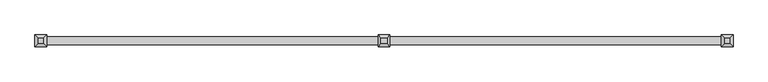
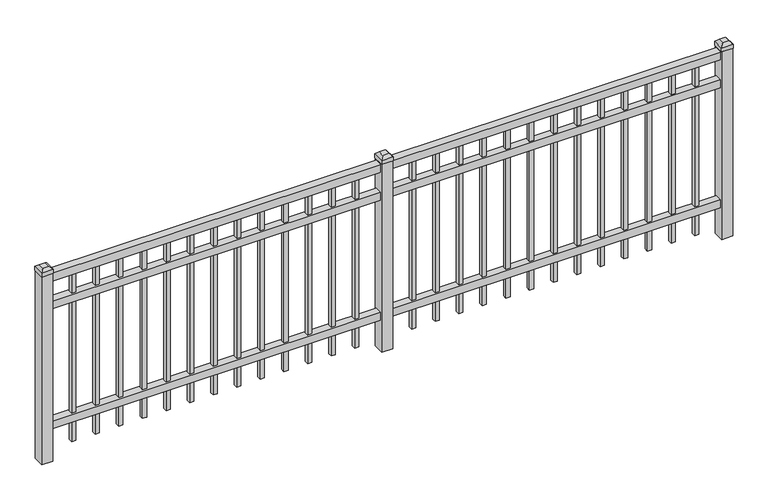
"""IFC4 building model written with IfcOpenShell, lengths in millimetres: railing geometry."""

from ifc_helpers import new_model, si_unit, frame, origin, origin_with_axes, place, context, project, spatial, polyline, outline, extrude, faceted_brep, source, transform, mapped, element, save


def railing_bf762a0c(model_context):
    return source(origin(), model_context, "Body", "SolidModel", [
        extrude(outline(polyline([(-91799.918087, -652.7195174), (-91799.918087, -617.7945174), (-88650.318087, -617.7945174), (-88650.318087, -652.7195174), (-91799.918087, -652.7195174)])), frame((0.0, 0.0, 876.3), z_axis=(0.0, 0.0, 1.0), x_axis=(1.0, 0.0, 0.0)), (0.0, 0.0, 1.0), 38.1),
        extrude(outline(polyline([(-91799.918087, -652.7195174), (-91799.918087, -617.7945174), (-88650.318087, -617.7945174), (-88650.318087, -652.7195174), (-91799.918087, -652.7195174)])), frame((0.0, 0.0, 739.775), z_axis=(0.0, 0.0, 1.0), x_axis=(1.0, 0.0, 0.0)), (0.0, 0.0, 1.0), 38.1),
        extrude(outline(polyline([(-91799.918087, -652.7195174), (-91799.918087, -617.7945174), (-88650.318087, -617.7945174), (-88650.318087, -652.7195174), (-91799.918087, -652.7195174)])), frame((0.0, 0.0, 152.4), z_axis=(0.0, 0.0, 1.0), x_axis=(1.0, 0.0, 0.0)), (0.0, 0.0, 1.0), 38.1),
        extrude(outline(polyline([(-88881.8285036, -625.7320174), (-88881.8285036, -644.7820174), (-88900.8785036, -644.7820174), (-88900.8785036, -625.7320174), (-88881.8285036, -625.7320174)])), frame((0.0, 0.0, 50.8), z_axis=(0.0, 0.0, 1.0), x_axis=(1.0, 0.0, 0.0)), (0.0, 0.0, 1.0), 825.5),
        extrude(outline(polyline([(-88991.1014203, -625.7320174), (-88991.1014203, -644.7820174), (-89010.1514203, -644.7820174), (-89010.1514203, -625.7320174), (-88991.1014203, -625.7320174)])), frame((0.0, 0.0, 50.8), z_axis=(0.0, 0.0, 1.0), x_axis=(1.0, 0.0, 0.0)), (0.0, 0.0, 1.0), 825.5),
        extrude(outline(polyline([(-89100.374337, -625.7320174), (-89100.374337, -644.7820174), (-89119.424337, -644.7820174), (-89119.424337, -625.7320174), (-89100.374337, -625.7320174)])), frame((0.0, 0.0, 50.8), z_axis=(0.0, 0.0, 1.0), x_axis=(1.0, 0.0, 0.0)), (0.0, 0.0, 1.0), 825.5),
        extrude(outline(polyline([(-89209.6472536, -625.7320174), (-89209.6472536, -644.7820174), (-89228.6972536, -644.7820174), (-89228.6972536, -625.7320174), (-89209.6472536, -625.7320174)])), frame((0.0, 0.0, 50.8), z_axis=(0.0, 0.0, 1.0), x_axis=(1.0, 0.0, 0.0)), (0.0, 0.0, 1.0), 825.5),
        extrude(outline(polyline([(-89318.9201703, -625.7320174), (-89318.9201703, -644.7820174), (-89337.9701703, -644.7820174), (-89337.9701703, -625.7320174), (-89318.9201703, -625.7320174)])), frame((0.0, 0.0, 50.8), z_axis=(0.0, 0.0, 1.0), x_axis=(1.0, 0.0, 0.0)), (0.0, 0.0, 1.0), 825.5),
        extrude(outline(polyline([(-89428.193087, -625.7320174), (-89428.193087, -644.7820174), (-89447.243087, -644.7820174), (-89447.243087, -625.7320174), (-89428.193087, -625.7320174)])), frame((0.0, 0.0, 50.8), z_axis=(0.0, 0.0, 1.0), x_axis=(1.0, 0.0, 0.0)), (0.0, 0.0, 1.0), 825.5),
        extrude(outline(polyline([(-89537.4660036, -625.7320174), (-89537.4660036, -644.7820174), (-89556.5160036, -644.7820174), (-89556.5160036, -625.7320174), (-89537.4660036, -625.7320174)])), frame((0.0, 0.0, 50.8), z_axis=(0.0, 0.0, 1.0), x_axis=(1.0, 0.0, 0.0)), (0.0, 0.0, 1.0), 825.5),
        extrude(outline(polyline([(-89646.7389203, -625.7320174), (-89646.7389203, -644.7820174), (-89665.7889203, -644.7820174), (-89665.7889203, -625.7320174), (-89646.7389203, -625.7320174)])), frame((0.0, 0.0, 50.8), z_axis=(0.0, 0.0, 1.0), x_axis=(1.0, 0.0, 0.0)), (0.0, 0.0, 1.0), 825.5),
        extrude(outline(polyline([(-89756.011837, -625.7320174), (-89756.011837, -644.7820174), (-89775.061837, -644.7820174), (-89775.061837, -625.7320174), (-89756.011837, -625.7320174)])), frame((0.0, 0.0, 50.8), z_axis=(0.0, 0.0, 1.0), x_axis=(1.0, 0.0, 0.0)), (0.0, 0.0, 1.0), 825.5),
        extrude(outline(polyline([(-89865.2847536, -625.7320174), (-89865.2847536, -644.7820174), (-89884.3347536, -644.7820174), (-89884.3347536, -625.7320174), (-89865.2847536, -625.7320174)])), frame((0.0, 0.0, 50.8), z_axis=(0.0, 0.0, 1.0), x_axis=(1.0, 0.0, 0.0)), (0.0, 0.0, 1.0), 825.5),
        extrude(outline(polyline([(-89974.5576703, -625.7320174), (-89974.5576703, -644.7820174), (-89993.6076703, -644.7820174), (-89993.6076703, -625.7320174), (-89974.5576703, -625.7320174)])), frame((0.0, 0.0, 50.8), z_axis=(0.0, 0.0, 1.0), x_axis=(1.0, 0.0, 0.0)), (0.0, 0.0, 1.0), 825.5),
        extrude(outline(polyline([(-88772.555587, -625.7320174), (-88772.555587, -644.7820174), (-88791.605587, -644.7820174), (-88791.605587, -625.7320174), (-88772.555587, -625.7320174)])), frame((0.0, 0.0, 50.8), z_axis=(0.0, 0.0, 1.0), x_axis=(1.0, 0.0, 0.0)), (0.0, 0.0, 1.0), 825.5),
        extrude(outline(polyline([(-90083.830587, -625.7320174), (-90083.830587, -644.7820174), (-90102.880587, -644.7820174), (-90102.880587, -625.7320174), (-90083.830587, -625.7320174)])), frame((0.0, 0.0, 50.8), z_axis=(0.0, 0.0, 1.0), x_axis=(1.0, 0.0, 0.0)), (0.0, 0.0, 1.0), 825.5),
        faceted_brep([(-90252.105587, -608.2695174, 939.8), (-90252.105587, -608.2695174, 920.75), (-90252.105587, -662.2445174, 920.75), (-90252.105587, -662.2445174, 939.8), (-90239.405587, -620.9695174, 952.5), (-90239.405587, -649.5445174, 952.5), (-90198.130587, -662.2445174, 920.75), (-90198.130587, -662.2445174, 939.8), (-90210.830587, -649.5445174, 952.5), (-90198.130587, -608.2695174, 920.75), (-90198.130587, -608.2695174, 939.8), (-90210.830587, -620.9695174, 952.5)], [[[0, 1, 2, 3]], [[4, 0, 3, 5]], [[3, 2, 6, 7]], [[5, 3, 7, 8]], [[7, 6, 9, 10]], [[8, 7, 10, 11]], [[10, 9, 1, 0]], [[11, 10, 0, 4]], [[5, 8, 11, 4]], [[1, 9, 6, 2]]]),
        extrude(outline(polyline([(-90199.718087, -609.8570174), (-90199.718087, -660.6570174), (-90250.518087, -660.6570174), (-90250.518087, -609.8570174), (-90199.718087, -609.8570174)])), origin_with_axes(), (0.0, 0.0, 1.0), 920.75),
        extrude(outline(polyline([(-90456.6285036, -625.7320174), (-90456.6285036, -644.7820174), (-90475.6785036, -644.7820174), (-90475.6785036, -625.7320174), (-90456.6285036, -625.7320174)])), frame((0.0, 0.0, 50.8), z_axis=(0.0, 0.0, 1.0), x_axis=(1.0, 0.0, 0.0)), (0.0, 0.0, 1.0), 825.5),
        extrude(outline(polyline([(-90565.9014203, -625.7320174), (-90565.9014203, -644.7820174), (-90584.9514203, -644.7820174), (-90584.9514203, -625.7320174), (-90565.9014203, -625.7320174)])), frame((0.0, 0.0, 50.8), z_axis=(0.0, 0.0, 1.0), x_axis=(1.0, 0.0, 0.0)), (0.0, 0.0, 1.0), 825.5),
        extrude(outline(polyline([(-90675.174337, -625.7320174), (-90675.174337, -644.7820174), (-90694.224337, -644.7820174), (-90694.224337, -625.7320174), (-90675.174337, -625.7320174)])), frame((0.0, 0.0, 50.8), z_axis=(0.0, 0.0, 1.0), x_axis=(1.0, 0.0, 0.0)), (0.0, 0.0, 1.0), 825.5),
        extrude(outline(polyline([(-90784.4472536, -625.7320174), (-90784.4472536, -644.7820174), (-90803.4972536, -644.7820174), (-90803.4972536, -625.7320174), (-90784.4472536, -625.7320174)])), frame((0.0, 0.0, 50.8), z_axis=(0.0, 0.0, 1.0), x_axis=(1.0, 0.0, 0.0)), (0.0, 0.0, 1.0), 825.5),
        extrude(outline(polyline([(-90893.7201703, -625.7320174), (-90893.7201703, -644.7820174), (-90912.7701703, -644.7820174), (-90912.7701703, -625.7320174), (-90893.7201703, -625.7320174)])), frame((0.0, 0.0, 50.8), z_axis=(0.0, 0.0, 1.0), x_axis=(1.0, 0.0, 0.0)), (0.0, 0.0, 1.0), 825.5),
        extrude(outline(polyline([(-91002.993087, -625.7320174), (-91002.993087, -644.7820174), (-91022.043087, -644.7820174), (-91022.043087, -625.7320174), (-91002.993087, -625.7320174)])), frame((0.0, 0.0, 50.8), z_axis=(0.0, 0.0, 1.0), x_axis=(1.0, 0.0, 0.0)), (0.0, 0.0, 1.0), 825.5),
        extrude(outline(polyline([(-91112.2660036, -625.7320174), (-91112.2660036, -644.7820174), (-91131.3160036, -644.7820174), (-91131.3160036, -625.7320174), (-91112.2660036, -625.7320174)])), frame((0.0, 0.0, 50.8), z_axis=(0.0, 0.0, 1.0), x_axis=(1.0, 0.0, 0.0)), (0.0, 0.0, 1.0), 825.5),
        extrude(outline(polyline([(-91221.5389203, -625.7320174), (-91221.5389203, -644.7820174), (-91240.5889203, -644.7820174), (-91240.5889203, -625.7320174), (-91221.5389203, -625.7320174)])), frame((0.0, 0.0, 50.8), z_axis=(0.0, 0.0, 1.0), x_axis=(1.0, 0.0, 0.0)), (0.0, 0.0, 1.0), 825.5),
        extrude(outline(polyline([(-91330.811837, -625.7320174), (-91330.811837, -644.7820174), (-91349.861837, -644.7820174), (-91349.861837, -625.7320174), (-91330.811837, -625.7320174)])), frame((0.0, 0.0, 50.8), z_axis=(0.0, 0.0, 1.0), x_axis=(1.0, 0.0, 0.0)), (0.0, 0.0, 1.0), 825.5),
        extrude(outline(polyline([(-91440.0847536, -625.7320174), (-91440.0847536, -644.7820174), (-91459.1347536, -644.7820174), (-91459.1347536, -625.7320174), (-91440.0847536, -625.7320174)])), frame((0.0, 0.0, 50.8), z_axis=(0.0, 0.0, 1.0), x_axis=(1.0, 0.0, 0.0)), (0.0, 0.0, 1.0), 825.5),
        extrude(outline(polyline([(-91549.3576703, -625.7320174), (-91549.3576703, -644.7820174), (-91568.4076703, -644.7820174), (-91568.4076703, -625.7320174), (-91549.3576703, -625.7320174)])), frame((0.0, 0.0, 50.8), z_axis=(0.0, 0.0, 1.0), x_axis=(1.0, 0.0, 0.0)), (0.0, 0.0, 1.0), 825.5),
        extrude(outline(polyline([(-90347.355587, -625.7320174), (-90347.355587, -644.7820174), (-90366.405587, -644.7820174), (-90366.405587, -625.7320174), (-90347.355587, -625.7320174)])), frame((0.0, 0.0, 50.8), z_axis=(0.0, 0.0, 1.0), x_axis=(1.0, 0.0, 0.0)), (0.0, 0.0, 1.0), 825.5),
        extrude(outline(polyline([(-91658.630587, -625.7320174), (-91658.630587, -644.7820174), (-91677.680587, -644.7820174), (-91677.680587, -625.7320174), (-91658.630587, -625.7320174)])), frame((0.0, 0.0, 50.8), z_axis=(0.0, 0.0, 1.0), x_axis=(1.0, 0.0, 0.0)), (0.0, 0.0, 1.0), 825.5),
        faceted_brep([(-88677.305587, -608.2695174, 939.8), (-88677.305587, -608.2695174, 920.75), (-88677.305587, -662.2445174, 920.75), (-88677.305587, -662.2445174, 939.8), (-88664.605587, -620.9695174, 952.5), (-88664.605587, -649.5445174, 952.5), (-88623.330587, -662.2445174, 920.75), (-88623.330587, -662.2445174, 939.8), (-88636.030587, -649.5445174, 952.5), (-88623.330587, -608.2695174, 920.75), (-88623.330587, -608.2695174, 939.8), (-88636.030587, -620.9695174, 952.5)], [[[0, 1, 2, 3]], [[4, 0, 3, 5]], [[3, 2, 6, 7]], [[5, 3, 7, 8]], [[7, 6, 9, 10]], [[8, 7, 10, 11]], [[10, 9, 1, 0]], [[11, 10, 0, 4]], [[5, 8, 11, 4]], [[1, 9, 6, 2]]]),
        extrude(outline(polyline([(-88624.918087, -609.8570174), (-88624.918087, -660.6570174), (-88675.718087, -660.6570174), (-88675.718087, -609.8570174), (-88624.918087, -609.8570174)])), origin_with_axes(), (0.0, 0.0, 1.0), 920.75),
        faceted_brep([(-91826.905587, -608.2695174, 939.8), (-91826.905587, -608.2695174, 920.75), (-91826.905587, -662.2445174, 920.75), (-91826.905587, -662.2445174, 939.8), (-91814.205587, -620.9695174, 952.5), (-91814.205587, -649.5445174, 952.5), (-91772.930587, -662.2445174, 920.75), (-91772.930587, -662.2445174, 939.8), (-91785.630587, -649.5445174, 952.5), (-91772.930587, -608.2695174, 920.75), (-91772.930587, -608.2695174, 939.8), (-91785.630587, -620.9695174, 952.5)], [[[0, 1, 2, 3]], [[4, 0, 3, 5]], [[3, 2, 6, 7]], [[5, 3, 7, 8]], [[7, 6, 9, 10]], [[8, 7, 10, 11]], [[10, 9, 1, 0]], [[11, 10, 0, 4]], [[5, 8, 11, 4]], [[1, 9, 6, 2]]]),
        extrude(outline(polyline([(-91774.518087, -609.8570174), (-91774.518087, -660.6570174), (-91825.318087, -660.6570174), (-91825.318087, -609.8570174), (-91774.518087, -609.8570174)])), origin_with_axes(), (0.0, 0.0, 1.0), 920.75),
    ])


if __name__ == "__main__":
    model = new_model("IFC4")
    model_context = context("Model", 3, world=origin())
    ifc_project = project(units=[si_unit("LENGTHUNIT", "METRE", prefix="MILLI")], contexts=[model_context])
    site = spatial("IfcSite", under=ifc_project)
    building = spatial("IfcBuilding", under=site)
    placement = place(None, origin())
    railing_shape = railing_bf762a0c(model_context)
    element("IfcRailing", 1, at=placement, inside=building, context=model_context, shape_type="MappedRepresentation", body=[
        mapped(railing_shape, transform((0.0, 0.0, 0.0), x_axis=(1.0, 0.0, 0.0), y_axis=(0.0, 1.0, 0.0), z_axis=(0.0, 0.0, 1.0))),
    ])
    save(model, "model.ifc")
